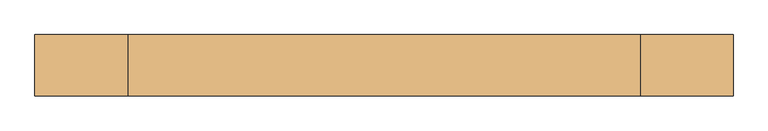
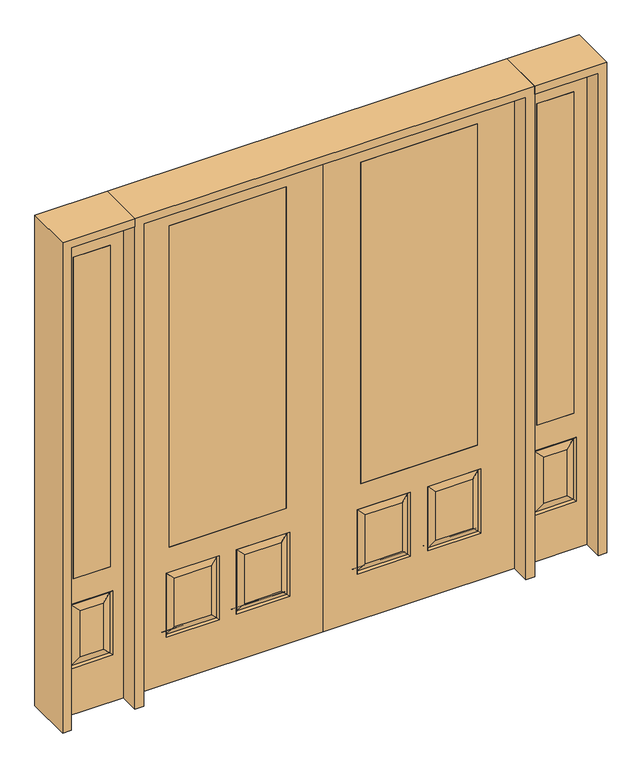
"""IFC4 building model written with IfcOpenShell, lengths in millimetres: door geometry."""

from ifc_helpers import new_model, si_unit, frame, origin, place, context, project, spatial, polyline, outline, extrude, faceted_brep, source, transform, mapped, element, save


def door_b68be11d(model_context):
    return source(origin(), model_context, "Body", "SolidModel", [
        extrude(outline(polyline([(1196.975, 20.6375), (1196.975, -20.6375), (1019.175, -20.6375), (1019.175, 20.6375), (1196.975, 20.6375)])), frame((0.0, 0.0, 685.8), z_axis=(0.0, 0.0, 1.0), x_axis=(1.0, 0.0, 0.0)), (0.0, 0.0, 1.0), 1625.6),
        faceted_brep([(955.675, -20.6375, 0.0), (1260.475, -20.6375, 0.0), (1260.475, -20.6375, 2438.4), (955.675, -20.6375, 2438.4), (1019.175, -20.6375, 685.8), (1019.175, -20.6375, 2311.4), (1196.975, -20.6375, 2311.4), (1196.975, -20.6375, 685.8), (1006.475, -20.6375, 234.95), (1006.475, -20.6375, 558.8), (1209.675, -20.6375, 558.8), (1209.675, -20.6375, 234.95), (1163.6375, -20.6375, 280.9875), (1163.6375, -20.6375, 512.7625), (1052.5125, -20.6375, 512.7625), (1052.5125, -20.6375, 280.9875), (1196.975, 20.6375, 2311.4), (1196.975, 20.6375, 685.8), (955.675, 20.6375, 0.0), (955.675, 20.6375, 2438.4), (1260.475, 20.6375, 2438.4), (1260.475, 20.6375, 0.0), (1209.675, 20.6375, 234.95), (1209.675, 20.6375, 558.8), (1006.475, 20.6375, 558.8), (1006.475, 20.6375, 234.95), (1019.175, 20.6375, 2311.4), (1019.175, 20.6375, 685.8), (1052.5125, 20.6375, 280.9875), (1052.5125, 20.6375, 512.7625), (1163.6375, 20.6375, 512.7625), (1163.6375, 20.6375, 280.9875), (1015.4552561, -11.6572439, 549.8197439), (1200.6947439, -11.6572439, 549.8197439), (1200.6947439, 11.6572439, 243.9302561), (1015.4552561, 11.6572439, 243.9302561), (1015.4552561, 11.6572439, 549.8197439), (1200.6947439, 11.6572439, 549.8197439), (1200.6947439, -11.6572439, 243.9302561), (1015.4552561, -11.6572439, 243.9302561)], [[[0, 1, 2, 3], [4, 5, 6, 7], [8, 9, 10, 11]], [[12, 13, 14, 15]], [[7, 6, 16, 17]], [[18, 19, 20, 21], [22, 23, 24, 25], [17, 16, 26, 27]], [[28, 29, 30, 31]], [[32, 33, 10, 9]], [[21, 1, 0, 18]], [[20, 2, 1, 21]], [[18, 0, 3, 19]], [[34, 22, 25, 35]], [[25, 24, 36, 35]], [[24, 23, 37, 36]], [[34, 37, 23, 22]], [[35, 28, 31, 34]], [[31, 30, 37, 34]], [[36, 37, 30, 29]], [[35, 36, 29, 28]], [[17, 27, 4, 7]], [[27, 26, 5, 4]], [[8, 11, 38, 39]], [[11, 10, 33, 38]], [[39, 32, 9, 8]], [[38, 12, 15, 39]], [[15, 14, 32, 39]], [[14, 13, 33, 32]], [[38, 33, 13, 12]], [[19, 3, 2, 20]], [[6, 5, 26, 16]]]),
        extrude(outline(polyline([(-1019.175, 20.6375), (-1019.175, -20.6375), (-1196.975, -20.6375), (-1196.975, 20.6375), (-1019.175, 20.6375)])), frame((0.0, 0.0, 685.8), z_axis=(0.0, 0.0, 1.0), x_axis=(1.0, 0.0, 0.0)), (0.0, 0.0, 1.0), 1625.6),
        faceted_brep([(-1260.475, -20.6375, 0.0), (-955.675, -20.6375, 0.0), (-955.675, -20.6375, 2438.4), (-1260.475, -20.6375, 2438.4), (-1196.975, -20.6375, 685.8), (-1196.975, -20.6375, 2311.4), (-1019.175, -20.6375, 2311.4), (-1019.175, -20.6375, 685.8), (-1209.675, -20.6375, 234.95), (-1209.675, -20.6375, 558.8), (-1006.475, -20.6375, 558.8), (-1006.475, -20.6375, 234.95), (-1052.5125, -20.6375, 280.9875), (-1052.5125, -20.6375, 512.7625), (-1163.6375, -20.6375, 512.7625), (-1163.6375, -20.6375, 280.9875), (-1019.175, 20.6375, 2311.4), (-1019.175, 20.6375, 685.8), (-1260.475, 20.6375, 0.0), (-1260.475, 20.6375, 2438.4), (-955.675, 20.6375, 2438.4), (-955.675, 20.6375, 0.0), (-1006.475, 20.6375, 234.95), (-1006.475, 20.6375, 558.8), (-1209.675, 20.6375, 558.8), (-1209.675, 20.6375, 234.95), (-1196.975, 20.6375, 2311.4), (-1196.975, 20.6375, 685.8), (-1163.6375, 20.6375, 280.9875), (-1163.6375, 20.6375, 512.7625), (-1052.5125, 20.6375, 512.7625), (-1052.5125, 20.6375, 280.9875), (-1200.6947439, -11.6572439, 549.8197439), (-1015.4552561, -11.6572439, 549.8197439), (-1015.4552561, 11.6572439, 243.9302561), (-1200.6947439, 11.6572439, 243.9302561), (-1200.6947439, 11.6572439, 549.8197439), (-1015.4552561, 11.6572439, 549.8197439), (-1015.4552561, -11.6572439, 243.9302561), (-1200.6947439, -11.6572439, 243.9302561)], [[[0, 1, 2, 3], [4, 5, 6, 7], [8, 9, 10, 11]], [[12, 13, 14, 15]], [[7, 6, 16, 17]], [[18, 19, 20, 21], [22, 23, 24, 25], [17, 16, 26, 27]], [[28, 29, 30, 31]], [[32, 33, 10, 9]], [[21, 1, 0, 18]], [[20, 2, 1, 21]], [[18, 0, 3, 19]], [[34, 22, 25, 35]], [[25, 24, 36, 35]], [[24, 23, 37, 36]], [[34, 37, 23, 22]], [[35, 28, 31, 34]], [[31, 30, 37, 34]], [[36, 37, 30, 29]], [[35, 36, 29, 28]], [[17, 27, 4, 7]], [[27, 26, 5, 4]], [[8, 11, 38, 39]], [[11, 10, 33, 38]], [[39, 32, 9, 8]], [[38, 12, 15, 39]], [[15, 14, 32, 39]], [[14, 13, 33, 32]], [[38, 33, 13, 12]], [[19, 3, 2, 20]], [[6, 5, 26, 16]]]),
        faceted_brep([(177.8, -20.6375, 685.8), (177.8, 20.6375, 685.8), (177.8, 20.6375, 2311.4), (177.8, -20.6375, 2311.4), (736.6, -20.6375, 685.8), (736.6, 20.6375, 685.8), (537.3727627, -20.6375, 273.8477627), (713.5772373, -20.6375, 273.8477627), (713.5772373, -20.6375, 520.4102373), (537.3727627, -20.6375, 520.4102373), (200.8227627, -20.6375, 273.8477627), (377.0272373, -20.6375, 273.8477627), (377.0272373, -20.6375, 520.4102373), (200.8227627, -20.6375, 520.4102373), (914.4, -20.6375, 2438.4), (0.0, -20.6375, 2438.4), (0.0, -20.6375, 0.0), (914.4, -20.6375, 0.0), (736.6, -20.6375, 2311.4), (752.475, -20.6375, 234.95), (498.475, -20.6375, 234.95), (498.475, -20.6375, 559.308), (752.475, -20.6375, 559.308), (415.925, -20.6375, 234.95), (161.925, -20.6375, 234.95), (161.925, -20.6375, 559.308), (415.925, -20.6375, 559.308), (736.6, 20.6375, 2311.4), (377.0272373, 20.6375, 273.8477627), (200.8227627, 20.6375, 273.8477627), (200.8227627, 20.6375, 520.4102373), (377.0272373, 20.6375, 520.4102373), (713.5772373, 20.6375, 273.8477627), (537.3727627, 20.6375, 273.8477627), (537.3727627, 20.6375, 520.4102373), (713.5772373, 20.6375, 520.4102373), (0.0, 20.6375, 2438.4), (914.4, 20.6375, 2438.4), (914.4, 20.6375, 0.0), (0.0, 20.6375, 0.0), (161.925, 20.6375, 234.95), (415.925, 20.6375, 234.95), (415.925, 20.6375, 559.308), (161.925, 20.6375, 559.308), (498.475, 20.6375, 234.95), (752.475, 20.6375, 234.95), (752.475, 20.6375, 559.308), (498.475, 20.6375, 559.308), (745.0714647, -11.4399763, 242.3535353), (505.8785353, -11.4399763, 242.3535353), (505.8785353, -11.4399763, 551.9044647), (745.0714647, -11.4399763, 551.9044647), (408.5214647, -11.4399763, 242.3535353), (169.3285353, -11.4399763, 242.3535353), (169.3285353, -11.4399763, 551.9044647), (408.5214647, -11.4399763, 551.9044647), (169.3285353, 11.4399763, 242.3535353), (408.5214647, 11.4399763, 242.3535353), (408.5214647, 11.4399763, 551.9044647), (169.3285353, 11.4399763, 551.9044647), (505.8785353, 11.4399763, 242.3535353), (745.0714647, 11.4399763, 242.3535353), (745.0714647, 11.4399763, 551.9044647), (505.8785353, 11.4399763, 551.9044647)], [[[0, 1, 2, 3]], [[1, 0, 4, 5]], [[6, 7, 8, 9]], [[10, 11, 12, 13]], [[14, 15, 16, 17], [4, 0, 3, 18], [19, 20, 21, 22], [23, 24, 25, 26]], [[5, 4, 18, 27]], [[28, 29, 30, 31]], [[32, 33, 34, 35]], [[36, 37, 38, 39], [1, 5, 27, 2], [40, 41, 42, 43], [44, 45, 46, 47]], [[39, 38, 17, 16]], [[37, 14, 17, 38]], [[15, 36, 39, 16]], [[19, 48, 49, 20]], [[20, 49, 50, 21]], [[51, 22, 21, 50]], [[48, 19, 22, 51]], [[49, 48, 7, 6]], [[7, 48, 51, 8]], [[8, 51, 50, 9]], [[49, 6, 9, 50]], [[52, 53, 24, 23]], [[24, 53, 54, 25]], [[25, 54, 55, 26]], [[52, 23, 26, 55]], [[53, 52, 11, 10]], [[11, 52, 55, 12]], [[54, 13, 12, 55]], [[53, 10, 13, 54]], [[40, 56, 57, 41]], [[41, 57, 58, 42]], [[59, 43, 42, 58]], [[56, 40, 43, 59]], [[57, 56, 29, 28]], [[29, 56, 59, 30]], [[30, 59, 58, 31]], [[57, 28, 31, 58]], [[60, 61, 45, 44]], [[45, 61, 62, 46]], [[46, 62, 63, 47]], [[60, 44, 47, 63]], [[61, 60, 33, 32]], [[33, 60, 63, 34]], [[62, 35, 34, 63]], [[61, 32, 35, 62]], [[3, 2, 27, 18]], [[36, 15, 14, 37]]]),
        extrude(outline(polyline([(177.8, 20.6375), (736.6, 20.6375), (736.6, -20.6375), (177.8, -20.6375), (177.8, 20.6375)])), frame((0.0, 0.0, 685.8), z_axis=(0.0, 0.0, 1.0), x_axis=(1.0, 0.0, 0.0)), (0.0, 0.0, 1.0), 1625.6),
        faceted_brep([(-177.8, -20.6375, 685.8), (-177.8, -20.6375, 2311.4), (-177.8, 20.6375, 2311.4), (-177.8, 20.6375, 685.8), (-736.6, 20.6375, 685.8), (-736.6, -20.6375, 685.8), (-537.3727627, -20.6375, 273.8477627), (-537.3727627, -20.6375, 520.4102373), (-713.5772373, -20.6375, 520.4102373), (-713.5772373, -20.6375, 273.8477627), (-200.8227627, -20.6375, 273.8477627), (-200.8227627, -20.6375, 520.4102373), (-377.0272373, -20.6375, 520.4102373), (-377.0272373, -20.6375, 273.8477627), (-914.4, -20.6375, 2438.4), (-914.4, -20.6375, 0.0), (0.0, -20.6375, 0.0), (0.0, -20.6375, 2438.4), (-736.6, -20.6375, 2311.4), (-752.475, -20.6375, 234.95), (-752.475, -20.6375, 559.308), (-498.475, -20.6375, 559.308), (-498.475, -20.6375, 234.95), (-415.925, -20.6375, 234.95), (-415.925, -20.6375, 559.308), (-161.925, -20.6375, 559.308), (-161.925, -20.6375, 234.95), (-736.6, 20.6375, 2311.4), (-377.0272373, 20.6375, 273.8477627), (-377.0272373, 20.6375, 520.4102373), (-200.8227627, 20.6375, 520.4102373), (-200.8227627, 20.6375, 273.8477627), (-713.5772373, 20.6375, 273.8477627), (-713.5772373, 20.6375, 520.4102373), (-537.3727627, 20.6375, 520.4102373), (-537.3727627, 20.6375, 273.8477627), (0.0, 20.6375, 2438.4), (0.0, 20.6375, 0.0), (-914.4, 20.6375, 0.0), (-914.4, 20.6375, 2438.4), (-161.925, 20.6375, 234.95), (-161.925, 20.6375, 559.308), (-415.925, 20.6375, 559.308), (-415.925, 20.6375, 234.95), (-498.475, 20.6375, 234.95), (-498.475, 20.6375, 559.308), (-752.475, 20.6375, 559.308), (-752.475, 20.6375, 234.95), (-505.8785353, -11.4399763, 242.3535353), (-745.0714647, -11.4399763, 242.3535353), (-505.8785353, -11.4399763, 551.9044647), (-745.0714647, -11.4399763, 551.9044647), (-408.5214647, -11.4399763, 242.3535353), (-169.3285353, -11.4399763, 242.3535353), (-169.3285353, -11.4399763, 551.9044647), (-408.5214647, -11.4399763, 551.9044647), (-408.5214647, 11.4399763, 242.3535353), (-169.3285353, 11.4399763, 242.3535353), (-408.5214647, 11.4399763, 551.9044647), (-169.3285353, 11.4399763, 551.9044647), (-505.8785353, 11.4399763, 242.3535353), (-745.0714647, 11.4399763, 242.3535353), (-745.0714647, 11.4399763, 551.9044647), (-505.8785353, 11.4399763, 551.9044647)], [[[0, 1, 2, 3]], [[3, 4, 5, 0]], [[6, 7, 8, 9]], [[10, 11, 12, 13]], [[14, 15, 16, 17], [5, 18, 1, 0], [19, 20, 21, 22], [23, 24, 25, 26]], [[4, 27, 18, 5]], [[28, 29, 30, 31]], [[32, 33, 34, 35]], [[36, 37, 38, 39], [3, 2, 27, 4], [40, 41, 42, 43], [44, 45, 46, 47]], [[37, 16, 15, 38]], [[39, 38, 15, 14]], [[17, 16, 37, 36]], [[19, 22, 48, 49]], [[22, 21, 50, 48]], [[51, 50, 21, 20]], [[49, 51, 20, 19]], [[48, 6, 9, 49]], [[9, 8, 51, 49]], [[8, 7, 50, 51]], [[48, 50, 7, 6]], [[52, 23, 26, 53]], [[26, 25, 54, 53]], [[25, 24, 55, 54]], [[52, 55, 24, 23]], [[53, 10, 13, 52]], [[13, 12, 55, 52]], [[54, 55, 12, 11]], [[53, 54, 11, 10]], [[40, 43, 56, 57]], [[43, 42, 58, 56]], [[59, 58, 42, 41]], [[57, 59, 41, 40]], [[56, 28, 31, 57]], [[31, 30, 59, 57]], [[30, 29, 58, 59]], [[56, 58, 29, 28]], [[60, 44, 47, 61]], [[47, 46, 62, 61]], [[46, 45, 63, 62]], [[60, 63, 45, 44]], [[61, 32, 35, 60]], [[35, 34, 63, 60]], [[62, 63, 34, 33]], [[61, 62, 33, 32]], [[1, 18, 27, 2]], [[36, 39, 14, 17]]]),
        extrude(outline(polyline([(-177.8, 20.6375), (-177.8, -20.6375), (-736.6, -20.6375), (-736.6, 20.6375), (-177.8, 20.6375)])), frame((0.0, 0.0, 685.8), z_axis=(0.0, 0.0, 1.0), x_axis=(1.0, 0.0, 0.0)), (0.0, 0.0, 1.0), 1625.6),
        extrude(outline(polyline([(2479.675, -955.675), (2479.675, -1301.75), (0.0, -1301.75), (0.0, -1260.475), (2438.4, -1260.475), (2438.4, -955.675), (2479.675, -955.675)])), frame((0.0, -114.3, 0.0), z_axis=(0.0, 1.0, 0.0), x_axis=(0.0, 0.0, 1.0)), (0.0, 0.0, 1.0), 228.6),
        extrude(outline(polyline([(2479.675, -955.675), (0.0, -955.675), (0.0, -914.4), (2438.4, -914.4), (2438.4, 914.4), (0.0, 914.4), (0.0, 955.675), (2479.675, 955.675), (2479.675, -955.675)])), frame((0.0, -114.3, 0.0), z_axis=(0.0, 1.0, 0.0), x_axis=(0.0, 0.0, 1.0)), (0.0, 0.0, 1.0), 228.6),
        extrude(outline(polyline([(0.0, 1301.75), (2479.675, 1301.75), (2479.675, 955.675), (2438.4, 955.675), (2438.4, 1260.475), (0.0, 1260.475), (0.0, 1301.75)])), frame((0.0, -114.3, 0.0), z_axis=(0.0, 1.0, 0.0), x_axis=(0.0, 0.0, 1.0)), (0.0, 0.0, 1.0), 228.6),
    ])


if __name__ == "__main__":
    model = new_model("IFC4")
    model_context = context("Model", 3, world=origin())
    ifc_project = project(units=[si_unit("LENGTHUNIT", "METRE", prefix="MILLI")], contexts=[model_context])
    site = spatial("IfcSite", under=ifc_project)
    building = spatial("IfcBuilding", under=site)
    placement = place(None, origin())
    door_shape = door_b68be11d(model_context)
    element("IfcDoor", 1, at=placement, inside=building, context=model_context, shape_type="MappedRepresentation", body=[
        mapped(door_shape, transform((0.0, 0.0, 0.0), x_axis=(1.0, 0.0, 0.0), y_axis=(0.0, 1.0, 0.0), z_axis=(0.0, 0.0, 1.0))),
    ])
    save(model, "model.ifc")
